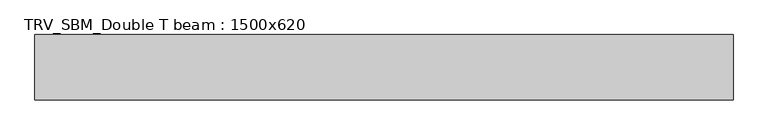
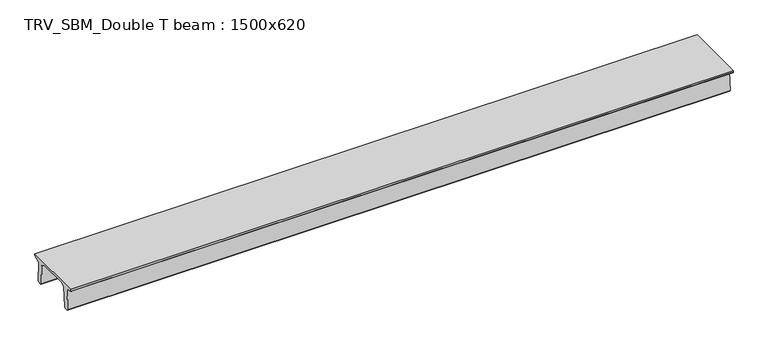
"""IFC4 building model written with IfcOpenShell, lengths in millimetres: beam geometry, TRV_SBM_Double T beam : 1500x620."""

import ifcopenshell
import ifcopenshell.guid

model = None  # the IFC model being written
_history = None  # IfcOwnerHistory: only IFC2X3 demands one
_inside = {}  # id of a spatial element -> (the spatial element, [elements in it])
_under = {}  # id of a project, library or spatial element -> (it, [spatial elements below it])
_declared = {}  # id of a project -> (the project, [libraries it declares])
_typed = {}  # id of a type object -> (the type object, [elements of that type])
_made_of = {}  # id of a material, layer set ... -> (it, [elements and type objects made of it])


def new_model(schema):
    """Start an empty IFC model of exactly this schema.

    Asked for "IFC4X3", IfcOpenShell would pick the latest addendum, in which some entities
    have other attributes; the version numbers below select the first issue.
    IFC2X3 requires an IfcOwnerHistory on every rooted entity: one is made here for all.
    """
    global model, _history
    if schema == "IFC4X3":
        model = ifcopenshell.file(schema_version=(4, 3, 0, 0))
    else:
        model = ifcopenshell.file(schema=schema)
    _inside.clear()
    _under.clear()
    _declared.clear()
    _typed.clear()
    _made_of.clear()
    _history = None
    if model.schema == "IFC2X3":
        org = make("IfcOrganization", Name="unknown")
        user = make(
            "IfcPersonAndOrganization",
            ThePerson=make("IfcPerson", FamilyName="unknown"),
            TheOrganization=org,
        )
        app = make(
            "IfcApplication",
            ApplicationDeveloper=org,
            Version="unknown",
            ApplicationFullName="unknown",
            ApplicationIdentifier="unknown",
        )
        _history = make(
            "IfcOwnerHistory",
            OwningUser=user,
            OwningApplication=app,
            ChangeAction="ADDED",
            CreationDate=0,
        )
    return model


def make(cls, **values):
    """One entity of the class cls with the attributes given. An attribute that is None is left unset."""
    return model.create_entity(
        cls, **{name: value for name, value in values.items() if value is not None}
    )


def rooted(cls, **values):
    """An entity with a GlobalId (a new one), such as an element, a storey or a relation."""
    return make(cls, GlobalId=ifcopenshell.guid.new(), OwnerHistory=_history, **values)


def si_unit(unit_type, name, prefix=None):
    """IfcSIUnit, for example si_unit("LENGTHUNIT", "METRE", prefix="MILLI")."""
    return make("IfcSIUnit", UnitType=unit_type, Prefix=prefix, Name=name)


def assignment(units):
    """IfcUnitAssignment: the units of a project."""
    return None if units is None else make("IfcUnitAssignment", Units=units)


def point(xyz):
    """IfcCartesianPoint."""
    return None if xyz is None else make("IfcCartesianPoint", Coordinates=xyz)


def direction(xyz):
    """IfcDirection."""
    return None if xyz is None else make("IfcDirection", DirectionRatios=xyz)


def frame(location, z_axis=None, x_axis=None):
    """IfcAxis2Placement3D, a coordinate frame: its origin and axes. An axis left out is left unset."""
    return make(
        "IfcAxis2Placement3D",
        Location=point(location),
        Axis=direction(z_axis),
        RefDirection=direction(x_axis),
    )


def origin():
    """The frame at (0, 0, 0) with its axes left unset."""
    return frame((0.0, 0.0, 0.0))


def place(relative_to, where):
    """IfcLocalPlacement: puts the frame where relative to a parent placement (None: the world)."""
    return make(
        "IfcLocalPlacement", PlacementRelTo=relative_to, RelativePlacement=where
    )


def context(
    kind, dimensions, precision=None, world=None, true_north=None, identifier=None
):
    """IfcGeometricRepresentationContext, for example the 3D "Model" context."""
    return make(
        "IfcGeometricRepresentationContext",
        ContextIdentifier=identifier,
        ContextType=kind,
        CoordinateSpaceDimension=dimensions,
        Precision=precision,
        WorldCoordinateSystem=world,
        TrueNorth=true_north,
    )


def project(units=None, contexts=None):
    """IfcProject with its units and contexts."""
    return rooted(
        "IfcProject",
        Name="project",
        RepresentationContexts=contexts,
        UnitsInContext=assignment(units),
    )


def spatial(cls, under=None, at=None, **own):
    """A site, building, storey or space (cls), placed at a placement, below another one or the project."""
    s = rooted(cls, ObjectPlacement=at, **own)
    if under is not None:
        _under.setdefault(under.id(), (under, []))[1].append(s)
    return s


def polyline(points):
    """IfcPolyline through the points."""
    return make("IfcPolyline", Points=[point(p) for p in points])


def outline(outer, holes=None, kind="AREA"):
    """IfcArbitraryClosedProfileDef: a profile drawn as a closed curve; with holes, ...WithVoids."""
    if holes is None:
        return make("IfcArbitraryClosedProfileDef", ProfileType=kind, OuterCurve=outer)
    return make(
        "IfcArbitraryProfileDefWithVoids",
        ProfileType=kind,
        OuterCurve=outer,
        InnerCurves=holes,
    )


def extrude(swept, where, along, depth):
    """IfcExtrudedAreaSolid: the profile swept, set in the frame where, extruded along a direction by depth."""
    return make(
        "IfcExtrudedAreaSolid",
        SweptArea=swept,
        Position=where,
        ExtrudedDirection=direction(along),
        Depth=depth,
    )


def shape(context_of_items, identifier, shape_type, items):
    """IfcShapeRepresentation: the items that make up one representation, for example the "Body"."""
    return make(
        "IfcShapeRepresentation",
        ContextOfItems=context_of_items,
        RepresentationIdentifier=identifier,
        RepresentationType=shape_type,
        Items=items,
    )


def source(mapping_origin, context_of_items, identifier, shape_type, items):
    """IfcRepresentationMap: a shape defined once, which mapped items show again and again."""
    return make(
        "IfcRepresentationMap",
        MappingOrigin=mapping_origin,
        MappedRepresentation=shape(context_of_items, identifier, shape_type, items),
    )


def transform(
    local_origin,
    x_axis=None,
    y_axis=None,
    z_axis=None,
    scale=None,
    scale2=None,
    scale3=None,
    uniform=True,
):
    """IfcCartesianTransformationOperator3D, or its non-uniform kind. x_axis, y_axis, z_axis: its Axis1, 2, 3."""
    if uniform:
        return make(
            "IfcCartesianTransformationOperator3D",
            Axis1=direction(x_axis),
            Axis2=direction(y_axis),
            LocalOrigin=point(local_origin),
            Scale=scale,
            Axis3=direction(z_axis),
        )
    return make(
        "IfcCartesianTransformationOperator3DnonUniform",
        Axis1=direction(x_axis),
        Axis2=direction(y_axis),
        LocalOrigin=point(local_origin),
        Scale=scale,
        Axis3=direction(z_axis),
        Scale2=scale2,
        Scale3=scale3,
    )


def mapped(mapping_source, mapping_target):
    """IfcMappedItem: shows the shape of a source again, moved by a transform."""
    return make(
        "IfcMappedItem", MappingSource=mapping_source, MappingTarget=mapping_target
    )


def made_of(thing, what):
    """Note that an element or type object is made of a material, layer set ...; save() writes the relation."""
    if what is not None:
        _made_of.setdefault(what.id(), (what, []))[1].append(thing)
    return thing


def element(
    cls,
    number,
    at=None,
    inside=None,
    cuts=None,
    type_object=None,
    material=None,
    context=None,
    identifier="Body",
    shape_type=None,
    held_by="IfcProductDefinitionShape",
    body=None,
    shapes=None,
    **own,
):
    """One element of the class cls, such as IfcWall. Its Tag is "e" and its number.

    at: its placement. inside: the storey or other place that contains it. cuts: it is an
    opening in that element (IfcRelVoidsElement). A single representation is given by context,
    identifier, shape_type and body (its items); several are given by shapes. held_by: the class
    of the entity that holds the representations. save() writes the other relations.
    """
    e = rooted(cls, Tag="e%d" % number, ObjectPlacement=at, **own)
    if body is not None:
        shapes = [shape(context, identifier, shape_type, body)]
    if shapes is not None:
        e.Representation = make(held_by, Representations=shapes)
    if inside is not None:
        _inside.setdefault(inside.id(), (inside, []))[1].append(e)
    if cuts is not None:
        rooted(
            "IfcRelVoidsElement", RelatingBuildingElement=cuts, RelatedOpeningElement=e
        )
    if type_object is not None:
        _typed.setdefault(type_object.id(), (type_object, []))[1].append(e)
    return made_of(e, material)


def aggregate(whole, parts):
    """IfcRelAggregates: a whole, such as a stair, and the parts it consists of."""
    return rooted("IfcRelAggregates", RelatingObject=whole, RelatedObjects=parts)


def save(model, path):
    """Write the relations noted so far, then the file.

    IfcRelAggregates (storeys below a building ...), IfcRelContainedInSpatialStructure (elements
    in a storey), IfcRelDefinesByType, IfcRelAssociatesMaterial and IfcRelDeclares: one each for
    every whole, place, type object, material and project.
    """
    for whole, parts in _under.values():
        aggregate(whole, parts)
    for where, things in _inside.values():
        rooted(
            "IfcRelContainedInSpatialStructure",
            RelatedElements=things,
            RelatingStructure=where,
        )
    for kind, things in _typed.values():
        rooted("IfcRelDefinesByType", RelatedObjects=things, RelatingType=kind)
    for what, things in _made_of.values():
        rooted("IfcRelAssociatesMaterial", RelatedObjects=things, RelatingMaterial=what)
    for by, libraries in _declared.values():
        rooted("IfcRelDeclares", RelatingContext=by, RelatedDefinitions=libraries)
    model.write(path)


def trv_sbm_double_t_beam_1500x620_53fc5da1(model_context):
    return source(origin(), model_context, "Body", "SweptSolid", [
        extrude(outline(polyline([(-765.0, 215.0), (-765.0, 260.0), (735.0, 260.0), (735.0, 215.0), (728.2094488, 201.315559), (578.0626443, 140.6523122), (594.8277662, -339.4379646), (574.2657308, -360.0), (484.2657308, -360.0), (464.786332, -340.5206011), (447.8600761, 144.18395), (338.3237744, 210.0), (-367.4555014, 210.0), (-476.5389732, 151.9992892), (-507.0080378, -339.3850967), (-527.622941, -360.0), (-615.122941, -360.0), (-637.1143055, -338.0086356), (-606.1572167, 162.687806), (-761.3068466, 204.260024), (-765.0, 215.0)])), frame((-7947.0, 0.0, 0.0), z_axis=(1.0, 0.0, 0.0), x_axis=(0.0, 1.0, 0.0)), (0.0, 0.0, 1.0), 15971.0),
    ])


if __name__ == "__main__":
    model = new_model("IFC4")
    model_context = context("Model", 3, world=origin())
    ifc_project = project(units=[si_unit("LENGTHUNIT", "METRE", prefix="MILLI")], contexts=[model_context])
    site = spatial("IfcSite", under=ifc_project)
    building = spatial("IfcBuilding", under=site)
    placement = place(None, origin())
    trv_sbm_double_t_beam_1500x620_shape = trv_sbm_double_t_beam_1500x620_53fc5da1(model_context)
    element("IfcBeam", 1, ObjectType="TRV_SBM_Double T beam : 1500x620", at=placement, inside=building, context=model_context, shape_type="MappedRepresentation", body=[
        mapped(trv_sbm_double_t_beam_1500x620_shape, transform((0.0, 0.0, 0.0), x_axis=(1.0, 0.0, 0.0), y_axis=(0.0, 1.0, 0.0), z_axis=(0.0, 0.0, 1.0))),
    ])
    save(model, "model.ifc")
